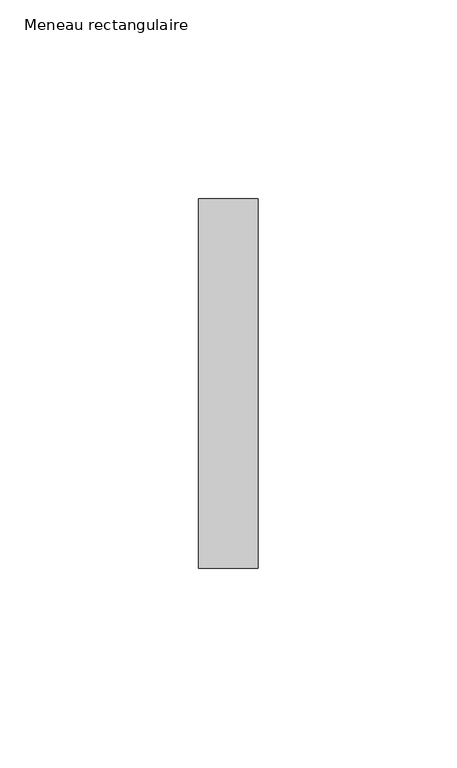
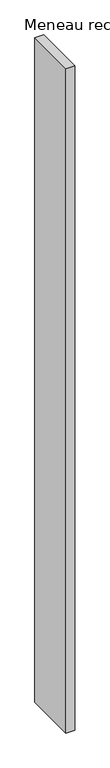
"""IFC4 building model written with IfcOpenShell, lengths in millimetres: member geometry, Meneau rectangulaire."""

from ifc_helpers import new_model, si_unit, frame, origin, place, context, project, spatial, polyline, outline, extrude, source, transform, mapped, element, save


def meneau_rectangulaire_b57bcc56(model_context):
    return source(origin(), model_context, "Body", "SweptSolid", [
        extrude(outline(polyline([(0.0, 46.5), (0.0, -46.5), (-15.0, -46.5), (-15.0, 46.5), (0.0, 46.5)])), frame((0.0, 0.0, -1216.0000002), z_axis=(0.0, 0.0, 1.0), x_axis=(1.0, 0.0, 0.0)), (0.0, 0.0, 1.0), 1216.0000002),
    ])


if __name__ == "__main__":
    model = new_model("IFC4")
    model_context = context("Model", 3, world=origin())
    ifc_project = project(units=[si_unit("LENGTHUNIT", "METRE", prefix="MILLI")], contexts=[model_context])
    site = spatial("IfcSite", under=ifc_project)
    building = spatial("IfcBuilding", under=site)
    placement = place(None, origin())
    meneau_rectangulaire_shape = meneau_rectangulaire_b57bcc56(model_context)
    element("IfcMember", 1, ObjectType="Meneau rectangulaire", at=placement, inside=building, context=model_context, shape_type="MappedRepresentation", body=[
        mapped(meneau_rectangulaire_shape, transform((0.0, 0.0, 0.0), x_axis=(1.0, 0.0, 0.0), y_axis=(0.0, 1.0, 0.0), z_axis=(0.0, 0.0, 1.0))),
    ])
    save(model, "model.ifc")
